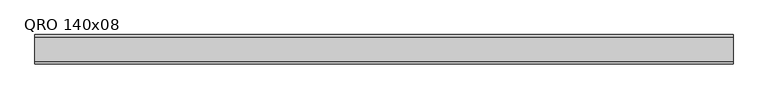
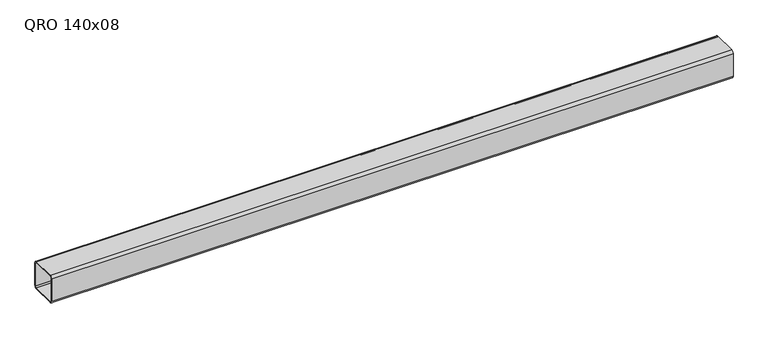
"""IFC4 building model written with IfcOpenShell, lengths in millimetres: beam geometry, QRO 140x08."""

from ifc_helpers import new_model, si_unit, point, frame, frame_2d, origin, place, context, project, spatial, polyline, circle_curve, trimmed, segment, composite_curve, outline, extrude, source, transform, mapped, element, save


def qro_140x08_1d6a5da5(model_context):
    return source(origin(), model_context, "Body", "SweptSolid", [
        extrude(outline(composite_curve([segment(polyline([(70.0, 58.0), (70.0, -58.0)]), True, "CONTINUOUS"), segment(trimmed(circle_curve(frame_2d((58.0, -58.0)), 12.0), [point((70.0, -58.0))], [point((58.0, -70.0))], False, "CARTESIAN"), True, "CONTINUOUS"), segment(polyline([(58.0, -70.0), (-58.0, -70.0)]), True, "CONTINUOUS"), segment(trimmed(circle_curve(frame_2d((-58.0, -58.0)), 12.0), [point((-58.0, -70.0))], [point((-70.0, -58.0))], False, "CARTESIAN"), True, "CONTINUOUS"), segment(polyline([(-70.0, -58.0), (-70.0, 58.0)]), True, "CONTINUOUS"), segment(trimmed(circle_curve(frame_2d((-58.0, 58.0)), 12.0), [point((-70.0, 58.0))], [point((-58.0, 70.0))], False, "CARTESIAN"), True, "CONTINUOUS"), segment(polyline([(-58.0, 70.0), (58.0, 70.0)]), True, "CONTINUOUS"), segment(trimmed(circle_curve(frame_2d((58.0, 58.0)), 12.0), [point((58.0, 70.0))], [point((70.0, 58.0))], False, "CARTESIAN"), True, "CONTINUOUS")], self_intersect=False), holes=[composite_curve([segment(trimmed(circle_curve(frame_2d((-58.0, 58.0)), 6.0), [point((-58.0, 64.0))], [point((-64.0, 58.0))], True, "CARTESIAN"), True, "CONTINUOUS"), segment(polyline([(-64.0, 58.0), (-64.0, -58.0)]), True, "CONTINUOUS"), segment(trimmed(circle_curve(frame_2d((-58.0, -58.0)), 6.0), [point((-64.0, -58.0))], [point((-58.0, -64.0))], True, "CARTESIAN"), True, "CONTINUOUS"), segment(polyline([(-58.0, -64.0), (58.0, -64.0)]), True, "CONTINUOUS"), segment(trimmed(circle_curve(frame_2d((58.0, -58.0)), 6.0), [point((58.0, -64.0))], [point((64.0, -58.0))], True, "CARTESIAN"), True, "CONTINUOUS"), segment(polyline([(64.0, -58.0), (64.0, 58.0)]), True, "CONTINUOUS"), segment(trimmed(circle_curve(frame_2d((58.0, 58.0)), 6.0), [point((64.0, 58.0))], [point((58.0, 64.0))], True, "CARTESIAN"), True, "CONTINUOUS"), segment(polyline([(58.0, 64.0), (-58.0, 64.0)]), True, "CONTINUOUS")], self_intersect=False)]), frame((-1607.0076908, 0.0, 0.0), z_axis=(1.0, 0.0, 0.0), x_axis=(0.0, 1.0, 0.0)), (0.0, 0.0, 1.0), 3318.3601467),
    ])


if __name__ == "__main__":
    model = new_model("IFC4")
    model_context = context("Model", 3, world=origin())
    ifc_project = project(units=[si_unit("LENGTHUNIT", "METRE", prefix="MILLI")], contexts=[model_context])
    site = spatial("IfcSite", under=ifc_project)
    building = spatial("IfcBuilding", under=site)
    placement = place(None, origin())
    qro_140x08_shape = qro_140x08_1d6a5da5(model_context)
    element("IfcBeam", 1, ObjectType="QRO 140x08", at=placement, inside=building, context=model_context, shape_type="MappedRepresentation", body=[
        mapped(qro_140x08_shape, transform((0.0, 0.0, 0.0), x_axis=(1.0, 0.0, 0.0), y_axis=(0.0, 1.0, 0.0), z_axis=(0.0, 0.0, 1.0))),
    ])
    save(model, "model.ifc")
